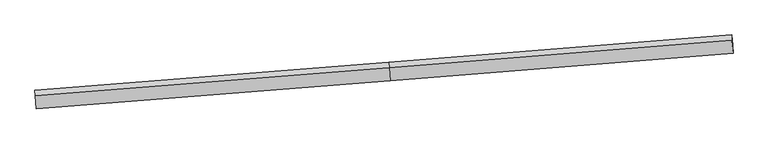
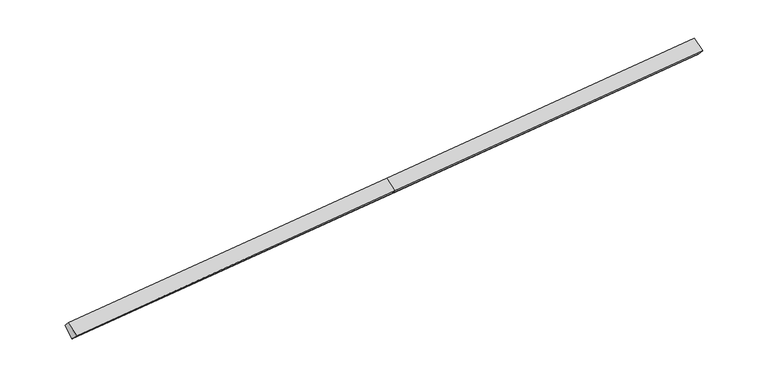
"""IFC4 building model written with IfcOpenShell, lengths in millimetres: proxy geometry."""

from ifc_helpers import new_model, si_unit, origin, place, context, project, spatial, faceted_brep, source, transform, mapped, element, save


def generic_models_5b970b9f(model_context):
    return source(origin(), model_context, "Body", "Brep", [
        faceted_brep([(-17067.2740215, -2674.6470487, 991.6566968), (-17062.6328558, -2943.0292112, 1270.858689), (152.4482189, -1577.8056284, 2303.9463464), (147.8070532, -1309.4234659, 2024.7443542), (-16999.542043, -3165.7263545, 518.4821312), (215.5390317, -1800.5027718, 1551.5697886), (-16999.1571095, -3187.9856977, 541.63886), (215.9239652, -1822.762115, 1574.7265174), (-16992.4872558, -3573.6796913, 942.8821111), (222.5938189, -2208.4561085, 1975.9697685), (16877.2494074, -487.9631584, 2573.9018313), (16876.8644738, -465.7038152, 2550.7451024), (16809.1324953, 25.3754906, 3023.9196681), (16813.7736611, -243.0066719, 3303.1216603), (16883.919261, -873.657152, 2975.1450823)], [[[0, 1, 2, 3]], [[4, 0, 5]], [[6, 4, 5, 7]], [[8, 6, 7, 9]], [[1, 8, 9, 2]], [[10, 11, 12, 13, 14]], [[1, 0, 4, 6, 8]], [[3, 5, 0]], [[7, 5, 11, 10]], [[5, 3, 12, 11]], [[3, 2, 13, 12]], [[2, 9, 14, 13]], [[9, 7, 10, 14]]]),
    ])


if __name__ == "__main__":
    model = new_model("IFC4")
    model_context = context("Model", 3, world=origin())
    ifc_project = project(units=[si_unit("LENGTHUNIT", "METRE", prefix="MILLI")], contexts=[model_context])
    site = spatial("IfcSite", under=ifc_project)
    building = spatial("IfcBuilding", under=site)
    placement = place(None, origin())
    generic_models_shape = generic_models_5b970b9f(model_context)
    element("IfcBuildingElementProxy", 1, Name="Generic Models", at=placement, inside=building, context=model_context, shape_type="MappedRepresentation", body=[
        mapped(generic_models_shape, transform((0.0, 0.0, 0.0), x_axis=(1.0, 0.0, 0.0), y_axis=(0.0, 1.0, 0.0), z_axis=(0.0, 0.0, 1.0))),
    ])
    save(model, "model.ifc")
